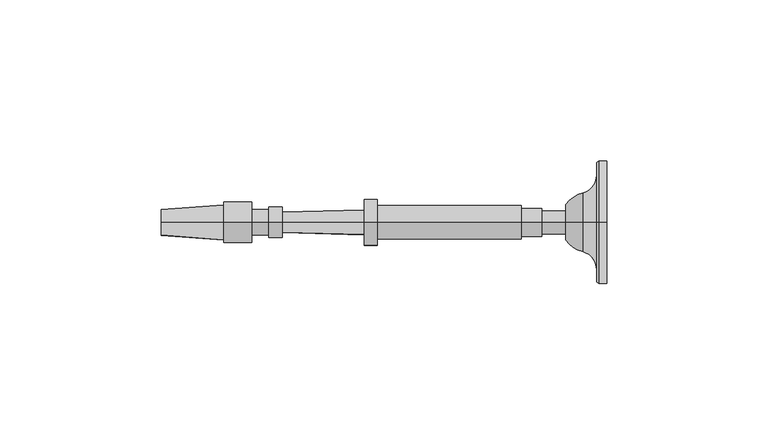
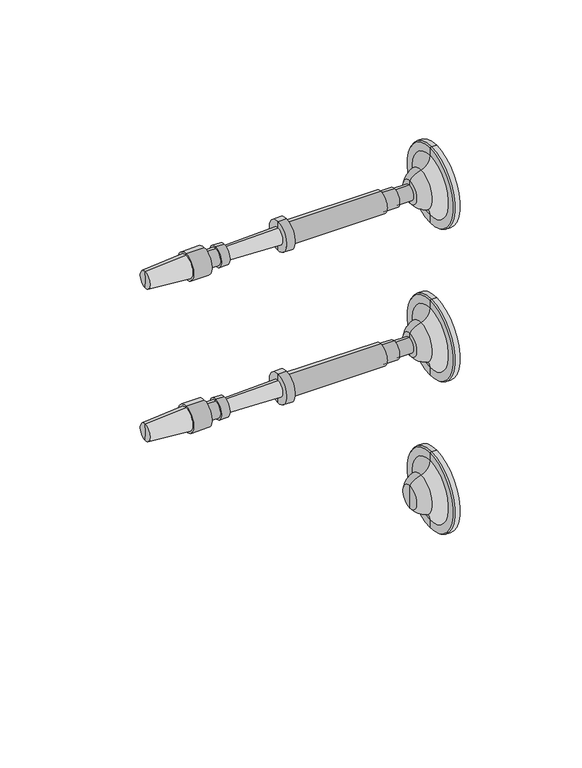
"""IFC4 building model written with IfcOpenShell, lengths in millimetres: railing geometry."""

from ifc_helpers import new_model, si_unit, point, frame, origin, place, context, project, spatial, polyline, circle_curve, ellipse_curve, trimmed, source, transform, mapped, element, save
from ifc_brep_helpers import plane_surface, cylinder_surface, revolved_surface, advanced_brep


def railing_382be00a(model_context):
    return source(origin(), model_context, "Body", "AdvancedBrep", [
        advanced_brep(
        [(4045.1015906, 16706.2866843, 32915.0001631), (4045.1015906, 16706.2866843, 32934.0501631), (4045.1015906, 16706.2866843, 32895.9501631), (4032.408954, 16706.2866843, 32909.4769785), (4032.408954, 16706.2866843, 32920.5233478), (4032.408954, 16706.2866843, 32915.0001631), (4037.6850504, 16706.2866843, 32905.8720381), (4037.6850504, 16706.2866843, 32924.1282881), (4042.0506754, 16706.2866843, 32900.2458254), (4042.0506754, 16706.2866843, 32929.7545009), (4042.0506754, 16706.2866843, 32896.3762941), (4042.0506754, 16706.2866843, 32933.6240321), (4042.7203406, 16706.2866843, 32895.9501631), (4042.7203406, 16706.2866843, 32934.0501631)],
        [
            (0, 1),
            (1, 2, circle_curve(frame((4045.1015906, 16706.2866843, 32915.0001631), z_axis=(1.0, 0.0, 0.0), x_axis=(0.0, 0.0, 1.0)), 19.05)),
            (2, 0),
            (2, 1, circle_curve(frame((4045.1015906, 16706.2866843, 32915.0001631), z_axis=(1.0, 0.0, 0.0), x_axis=(0.0, 0.0, 1.0)), 19.05)),
            (3, 4, circle_curve(frame((4032.408954, 16706.2866843, 32915.0001631), z_axis=(-1.0, 0.0, 0.0), x_axis=(0.0, 0.0, 1.0)), 5.5231846)),
            (4, 5),
            (5, 3),
            (4, 3, circle_curve(frame((4032.408954, 16706.2866843, 32915.0001631), z_axis=(-1.0, 0.0, 0.0), x_axis=(0.0, 0.0, 1.0)), 5.5231846)),
            (6, 7, circle_curve(frame((4037.6850504, 16706.2866843, 32915.0001631), z_axis=(-1.0, 0.0, 0.0), x_axis=(0.0, 0.0, 1.0)), 9.128125)),
            (7, 4, circle_curve(frame((4040.0094591, 16706.2866843, 32915.0628958), z_axis=(0.0, -1.0, 0.0), x_axis=(-1.0, 0.0, 0.0)), 9.3586438)),
            (3, 6, circle_curve(frame((4040.0094591, 16706.2866843, 32914.9374304), z_axis=(0.0, -1.0, 0.0), x_axis=(-1.0, 0.0, 0.0)), 9.3586438)),
            (7, 6, circle_curve(frame((4037.6850504, 16706.2866843, 32915.0001631), z_axis=(-1.0, 0.0, 0.0), x_axis=(0.0, 0.0, 1.0)), 9.128125)),
            (8, 9, circle_curve(frame((4042.0506754, 16706.2866843, 32915.0001631), z_axis=(-1.0, 0.0, 0.0), x_axis=(0.0, 0.0, 1.0)), 14.7543378)),
            (9, 7, circle_curve(frame((4036.2424634, 16706.2866843, 32929.7545009), z_axis=(0.0, 1.0, 0.0), x_axis=(-1.0, 0.0, 0.0)), 5.8082121)),
            (6, 8, circle_curve(frame((4036.2424634, 16706.2866843, 32900.2458254), z_axis=(0.0, 1.0, 0.0), x_axis=(-1.0, 0.0, 0.0)), 5.8082121)),
            (9, 8, circle_curve(frame((4042.0506754, 16706.2866843, 32915.0001631), z_axis=(-1.0, 0.0, 0.0), x_axis=(0.0, 0.0, 1.0)), 14.7543378)),
            (10, 11, circle_curve(frame((4042.0506754, 16706.2866843, 32915.0001631), z_axis=(-1.0, 0.0, 0.0), x_axis=(0.0, 0.0, 1.0)), 18.623869)),
            (11, 9),
            (8, 10),
            (11, 10, circle_curve(frame((4042.0506754, 16706.2866843, 32915.0001631), z_axis=(-1.0, 0.0, 0.0), x_axis=(0.0, 0.0, 1.0)), 18.623869)),
            (12, 13, circle_curve(frame((4042.7203406, 16706.2866843, 32915.0001631), z_axis=(-1.0, 0.0, 0.0), x_axis=(0.0, 0.0, 1.0)), 19.05)),
            (13, 11),
            (10, 12),
            (13, 12, circle_curve(frame((4042.7203406, 16706.2866843, 32915.0001631), z_axis=(-1.0, 0.0, 0.0), x_axis=(0.0, 0.0, 1.0)), 19.05)),
            (1, 13),
            (12, 2),
        ],
        [
            plane_surface(frame((4045.1015906, 16706.2866843, 32915.0001631), z_axis=(1.0, 0.0, 0.0), x_axis=(0.0, 0.0, 1.0))),
            plane_surface(frame((4032.408954, 16706.2866843, 32915.0001631), z_axis=(-1.0, 0.0, 0.0), x_axis=(0.0, 0.0, 1.0))),
            revolved_surface(trimmed(ellipse_curve(frame((4040.0094591, 16706.2866843, 32915.0628958), z_axis=(0.0, 1.0, 0.0), x_axis=(-1.0, 0.0, 0.0)), 9.3586438, 9.3586438), [point((4032.408954, 16706.2866843, 32920.5233478))], [point((4037.6850504, 16706.2866843, 32924.1282881))], True, "CARTESIAN"), (4045.1015906, 16706.2866843, 32915.0001631), (1.0, 0.0, 0.0)),
            revolved_surface(trimmed(ellipse_curve(frame((4036.2424634, 16706.2866843, 32929.7545009), z_axis=(0.0, -1.0, 0.0), x_axis=(-1.0, 0.0, 0.0)), 5.8082121, 5.8082121), [point((4037.6850504, 16706.2866843, 32924.1282881))], [point((4042.0506754, 16706.2866843, 32929.7545009))], True, "CARTESIAN"), (4045.1015906, 16706.2866843, 32915.0001631), (1.0, 0.0, 0.0)),
            plane_surface(frame((4042.0506754, 16706.2866843, 32915.0001631), z_axis=(-1.0, 0.0, 0.0), x_axis=(0.0, 0.0, 1.0))),
            revolved_surface(polyline([(4042.0506754, 16706.2866843, 32933.6240321), (4042.7203406, 16706.2866843, 32934.0501631)]), (4045.1015906, 16706.2866843, 32915.0001631), (1.0, 0.0, 0.0)),
            cylinder_surface(frame((4045.1015906, 16706.2866843, 32915.0001631), z_axis=(1.0, 0.0, 0.0), x_axis=(0.0, 0.0, 1.0)), 19.05),
        ],
        [
            (0, [[1, 2, 3]]),
            (0, [[-3, 4, -1]]),
            (1, [[5, 6, 7]]),
            (1, [[8, -7, -6]]),
            (2, [[9, 10, -5, 11]]),
            (2, [[12, -11, -8, -10]]),
            (3, [[13, 14, -9, 15]]),
            (3, [[16, -15, -12, -14]]),
            (4, [[17, 18, -13, 19]]),
            (4, [[20, -19, -16, -18]]),
            (5, [[21, 22, -17, 23]]),
            (5, [[24, -23, -20, -22]]),
            (6, [[-2, 25, -21, 26]]),
            (6, [[-4, -26, -24, -25]]),
        ],
    ),
        advanced_brep(
        [(4032.408954, 16706.2866843, 32911.4282881), (4032.408954, 16706.2866843, 32915.0001631), (4032.408954, 16706.2866843, 32918.5720381), (3907.4650648, 16706.2866843, 32915.0001631), (3907.1694004, 16706.2866843, 32910.9757028), (3907.1694004, 16706.2866843, 32919.0246235), (3926.5127644, 16706.2866843, 32909.5546072), (3926.5127644, 16706.2866843, 32920.445719), (3926.5127644, 16706.2866843, 32908.6616385), (3926.5127644, 16706.2866843, 32921.3386877), (3935.1447956, 16706.2866843, 32908.6616385), (3935.1447956, 16706.2866843, 32921.3386877), (3935.1447956, 16706.2866843, 32911.0428885), (3935.1447956, 16706.2866843, 32918.9574377), (3940.5026081, 16706.2866843, 32911.0428885), (3940.5026081, 16706.2866843, 32918.9574377), (3940.5026081, 16706.2866843, 32910.2491385), (3940.5026081, 16706.2866843, 32919.7511877), (3944.5705769, 16706.2866843, 32910.2491385), (3944.5705769, 16706.2866843, 32919.7511877), (3944.614664, 16706.2866843, 32911.8360262), (3944.614664, 16706.2866843, 32918.1643), (3970.0048672, 16706.2866843, 32911.1306319), (3970.0048672, 16706.2866843, 32918.8696944), (3970.0048672, 16706.2866843, 32907.8564131), (3970.0048672, 16706.2866843, 32922.1439131), (3973.9736172, 16706.2866843, 32907.8564131), (3973.9736172, 16706.2866843, 32922.1439131), (3973.9736172, 16706.2866843, 32909.8407881), (3973.9736172, 16706.2866843, 32920.1595381), (4018.7212735, 16706.2866843, 32909.8407881), (4018.7212735, 16706.2866843, 32920.1595381), (4018.7212735, 16706.2866843, 32910.6345381), (4018.7212735, 16706.2866843, 32919.3657881), (4025.0712735, 16706.2866843, 32910.6345381), (4025.0712735, 16706.2866843, 32919.3657881), (4025.0712735, 16706.2866843, 32911.4282881), (4025.0712735, 16706.2866843, 32918.5720381)],
        [
            (0, 1),
            (1, 2),
            (2, 0, circle_curve(frame((4032.408954, 16706.2866843, 32915.0001631), z_axis=(1.0, 0.0, 0.0), x_axis=(0.0, 0.0, 1.0000000000000002)), 3.571875)),
            (0, 2, circle_curve(frame((4032.408954, 16706.2866843, 32915.0001631), z_axis=(1.0, 0.0, 0.0), x_axis=(0.0, 0.0, 1.0000000000000002)), 3.571875)),
            (3, 4),
            (4, 5, circle_curve(frame((3907.1694004, 16706.2866843, 32915.0001631), z_axis=(-1.0, 0.0, 0.0), x_axis=(0.0, 0.0, 1.0000000000000002)), 4.0244604)),
            (5, 3),
            (5, 4, circle_curve(frame((3907.1694004, 16706.2866843, 32915.0001631), z_axis=(-1.0, 0.0, 0.0), x_axis=(0.0, 0.0, 1.0000000000000002)), 4.0244604)),
            (4, 6),
            (6, 7, circle_curve(frame((3926.5127644, 16706.2866843, 32915.0001631), z_axis=(-1.0, 0.0, 0.0), x_axis=(0.0, 0.0, 1.0000000000000002)), 5.4455559)),
            (7, 5),
            (7, 6, circle_curve(frame((3926.5127644, 16706.2866843, 32915.0001631), z_axis=(-1.0, 0.0, 0.0), x_axis=(0.0, 0.0, 1.0000000000000002)), 5.4455559)),
            (6, 8),
            (8, 9, circle_curve(frame((3926.5127644, 16706.2866843, 32915.0001631), z_axis=(-1.0, 0.0, 0.0), x_axis=(0.0, 0.0, 1.0000000000000002)), 6.3385246)),
            (9, 7),
            (9, 8, circle_curve(frame((3926.5127644, 16706.2866843, 32915.0001631), z_axis=(-1.0, 0.0, 0.0), x_axis=(0.0, 0.0, 1.0000000000000002)), 6.3385246)),
            (8, 10),
            (10, 11, circle_curve(frame((3935.1447956, 16706.2866843, 32915.0001631), z_axis=(-1.0, 0.0, 0.0), x_axis=(0.0, 0.0, 1.0000000000000002)), 6.3385246)),
            (11, 9),
            (11, 10, circle_curve(frame((3935.1447956, 16706.2866843, 32915.0001631), z_axis=(-1.0, 0.0, 0.0), x_axis=(0.0, 0.0, 1.0000000000000002)), 6.3385246)),
            (10, 12),
            (12, 13, circle_curve(frame((3935.1447956, 16706.2866843, 32915.0001631), z_axis=(-1.0, 0.0, 0.0), x_axis=(0.0, 0.0, 1.0000000000000002)), 3.9572746)),
            (13, 11),
            (13, 12, circle_curve(frame((3935.1447956, 16706.2866843, 32915.0001631), z_axis=(-1.0, 0.0, 0.0), x_axis=(0.0, 0.0, 1.0000000000000002)), 3.9572746)),
            (12, 14),
            (14, 15, circle_curve(frame((3940.5026081, 16706.2866843, 32915.0001631), z_axis=(-1.0, 0.0, 0.0), x_axis=(0.0, 0.0, 1.0000000000000002)), 3.9572746)),
            (15, 13),
            (15, 14, circle_curve(frame((3940.5026081, 16706.2866843, 32915.0001631), z_axis=(-1.0, 0.0, 0.0), x_axis=(0.0, 0.0, 1.0000000000000002)), 3.9572746)),
            (14, 16),
            (16, 17, circle_curve(frame((3940.5026081, 16706.2866843, 32915.0001631), z_axis=(-1.0, 0.0, 0.0), x_axis=(0.0, 0.0, 1.0000000000000002)), 4.7510246)),
            (17, 15),
            (17, 16, circle_curve(frame((3940.5026081, 16706.2866843, 32915.0001631), z_axis=(-1.0, 0.0, 0.0), x_axis=(0.0, 0.0, 1.0000000000000002)), 4.7510246)),
            (16, 18),
            (18, 19, circle_curve(frame((3944.5705769, 16706.2866843, 32915.0001631), z_axis=(-1.0, 0.0, 0.0), x_axis=(0.0, 0.0, 1.0000000000000002)), 4.7510246)),
            (19, 17),
            (19, 18, circle_curve(frame((3944.5705769, 16706.2866843, 32915.0001631), z_axis=(-1.0, 0.0, 0.0), x_axis=(0.0, 0.0, 1.0000000000000002)), 4.7510246)),
            (18, 20),
            (20, 21, circle_curve(frame((3944.614664, 16706.2866843, 32915.0001631), z_axis=(-1.0, 0.0, 0.0), x_axis=(0.0, 0.0, 1.0000000000000002)), 3.1641369)),
            (21, 19),
            (21, 20, circle_curve(frame((3944.614664, 16706.2866843, 32915.0001631), z_axis=(-1.0, 0.0, 0.0), x_axis=(0.0, 0.0, 1.0000000000000002)), 3.1641369)),
            (20, 22),
            (22, 23, circle_curve(frame((3970.0048672, 16706.2866843, 32915.0001631), z_axis=(-1.0, 0.0, 0.0), x_axis=(0.0, 0.0, 1.0000000000000002)), 3.8695313)),
            (23, 21),
            (23, 22, circle_curve(frame((3970.0048672, 16706.2866843, 32915.0001631), z_axis=(-1.0, 0.0, 0.0), x_axis=(0.0, 0.0, 1.0000000000000002)), 3.8695313)),
            (22, 24),
            (24, 25, circle_curve(frame((3970.0048672, 16706.2866843, 32915.0001631), z_axis=(-1.0, 0.0, 0.0), x_axis=(0.0, 0.0, 1.0000000000000002)), 7.14375)),
            (25, 23),
            (25, 24, circle_curve(frame((3970.0048672, 16706.2866843, 32915.0001631), z_axis=(-1.0, 0.0, 0.0), x_axis=(0.0, 0.0, 1.0000000000000002)), 7.14375)),
            (24, 26),
            (26, 27, circle_curve(frame((3973.9736172, 16706.2866843, 32915.0001631), z_axis=(-1.0, 0.0, 0.0), x_axis=(0.0, 0.0, 1.0000000000000002)), 7.14375)),
            (27, 25),
            (27, 26, circle_curve(frame((3973.9736172, 16706.2866843, 32915.0001631), z_axis=(-1.0, 0.0, 0.0), x_axis=(0.0, 0.0, 1.0000000000000002)), 7.14375)),
            (26, 28),
            (28, 29, circle_curve(frame((3973.9736172, 16706.2866843, 32915.0001631), z_axis=(-1.0, 0.0, 0.0), x_axis=(0.0, 0.0, 1.0000000000000002)), 5.159375)),
            (29, 27),
            (29, 28, circle_curve(frame((3973.9736172, 16706.2866843, 32915.0001631), z_axis=(-1.0, 0.0, 0.0), x_axis=(0.0, 0.0, 1.0000000000000002)), 5.159375)),
            (28, 30),
            (30, 31, circle_curve(frame((4018.7212735, 16706.2866843, 32915.0001631), z_axis=(-1.0, 0.0, 0.0), x_axis=(0.0, 0.0, 1.0000000000000002)), 5.159375)),
            (31, 29),
            (31, 30, circle_curve(frame((4018.7212735, 16706.2866843, 32915.0001631), z_axis=(-1.0, 0.0, 0.0), x_axis=(0.0, 0.0, 1.0000000000000002)), 5.159375)),
            (30, 32),
            (32, 33, circle_curve(frame((4018.7212735, 16706.2866843, 32915.0001631), z_axis=(-1.0, 0.0, 0.0), x_axis=(0.0, 0.0, 1.0000000000000002)), 4.365625)),
            (33, 31),
            (33, 32, circle_curve(frame((4018.7212735, 16706.2866843, 32915.0001631), z_axis=(-1.0, 0.0, 0.0), x_axis=(0.0, 0.0, 1.0000000000000002)), 4.365625)),
            (32, 34),
            (34, 35, circle_curve(frame((4025.0712735, 16706.2866843, 32915.0001631), z_axis=(-1.0, 0.0, 0.0), x_axis=(0.0, 0.0, 1.0000000000000002)), 4.365625)),
            (35, 33),
            (35, 34, circle_curve(frame((4025.0712735, 16706.2866843, 32915.0001631), z_axis=(-1.0, 0.0, 0.0), x_axis=(0.0, 0.0, 1.0000000000000002)), 4.365625)),
            (34, 36),
            (36, 37, circle_curve(frame((4025.0712735, 16706.2866843, 32915.0001631), z_axis=(-1.0, 0.0, 0.0), x_axis=(0.0, 0.0, 1.0000000000000002)), 3.571875)),
            (37, 35),
            (37, 36, circle_curve(frame((4025.0712735, 16706.2866843, 32915.0001631), z_axis=(-1.0, 0.0, 0.0), x_axis=(0.0, 0.0, 1.0000000000000002)), 3.571875)),
            (36, 0),
            (2, 37),
        ],
        [
            plane_surface(frame((4032.408954, 16706.2866843, 32915.0001631), z_axis=(1.0, 0.0, 0.0), x_axis=(0.0, 0.0, 1.0))),
            revolved_surface(polyline([(3907.1694004, 16706.2866843, 32919.0246235), (3907.4650648, 16706.2866843, 32915.0001631)]), (3907.4650648, 16706.2866843, 32915.0001631), (-1.0, 0.0, 0.0)),
            revolved_surface(polyline([(3926.5127644, 16706.2866843, 32920.445719), (3907.1694004, 16706.2866843, 32919.0246235)]), (3907.4650648, 16706.2866843, 32915.0001631), (-1.0, 0.0, 0.0)),
            plane_surface(frame((3926.5127644, 16706.2866843, 32915.0001631), z_axis=(-1.0, 0.0, 0.0), x_axis=(0.0, 0.0, 1.0))),
            cylinder_surface(frame((3907.4650648, 16706.2866843, 32915.0001631), z_axis=(-1.0, 0.0, 0.0), x_axis=(0.0, 0.0, 1.0000000000000002)), 6.3385246),
            plane_surface(frame((3935.1447956, 16706.2866843, 32915.0001631), z_axis=(1.0, 0.0, 0.0), x_axis=(0.0, 0.0, 1.0))),
            cylinder_surface(frame((3907.4650648, 16706.2866843, 32915.0001631), z_axis=(-1.0, 0.0, 0.0), x_axis=(0.0, 0.0, 1.0000000000000002)), 3.9572746),
            plane_surface(frame((3940.5026081, 16706.2866843, 32915.0001631), z_axis=(-1.0, 0.0, 0.0), x_axis=(0.0, 0.0, 1.0))),
            cylinder_surface(frame((3907.4650648, 16706.2866843, 32915.0001631), z_axis=(-1.0, 0.0, 0.0), x_axis=(0.0, 0.0, 1.0000000000000002)), 4.7510246),
            plane_surface(frame((3944.614664, 16706.2866843, 32915.0001631), z_axis=(1.0, 0.0, 0.0), x_axis=(0.0, 0.0, 1.0))),
            revolved_surface(polyline([(3970.0048672, 16706.2866843, 32918.8696944), (3944.614664, 16706.2866843, 32918.1643)]), (3907.4650648, 16706.2866843, 32915.0001631), (-1.0, 0.0, 0.0)),
            plane_surface(frame((3970.0048672, 16706.2866843, 32915.0001631), z_axis=(-1.0, 0.0, 0.0), x_axis=(0.0, 0.0, 1.0))),
            cylinder_surface(frame((3907.4650648, 16706.2866843, 32915.0001631), z_axis=(-1.0, 0.0, 0.0), x_axis=(0.0, 0.0, 1.0000000000000002)), 7.14375),
            plane_surface(frame((3973.9736172, 16706.2866843, 32915.0001631), z_axis=(1.0, 0.0, 0.0), x_axis=(0.0, 0.0, 1.0))),
            cylinder_surface(frame((3907.4650648, 16706.2866843, 32915.0001631), z_axis=(-1.0, 0.0, 0.0), x_axis=(0.0, 0.0, 1.0000000000000002)), 5.159375),
            plane_surface(frame((4018.7212735, 16706.2866843, 32915.0001631), z_axis=(1.0, 0.0, 0.0), x_axis=(0.0, 0.0, 1.0))),
            cylinder_surface(frame((3907.4650648, 16706.2866843, 32915.0001631), z_axis=(-1.0, 0.0, 0.0), x_axis=(0.0, 0.0, 1.0000000000000002)), 4.365625),
            plane_surface(frame((4025.0712735, 16706.2866843, 32915.0001631), z_axis=(1.0, 0.0, 0.0), x_axis=(0.0, 0.0, 1.0))),
            cylinder_surface(frame((3907.4650648, 16706.2866843, 32915.0001631), z_axis=(-1.0, 0.0, 0.0), x_axis=(0.0, 0.0, 1.0000000000000002)), 3.571875),
        ],
        [
            (0, [[1, 2, 3]]),
            (0, [[-2, -1, 4]]),
            (1, [[5, 6, 7]]),
            (1, [[-7, 8, -5]]),
            (2, [[9, 10, 11, -6]]),
            (2, [[-11, 12, -9, -8]]),
            (3, [[13, 14, 15, -10]]),
            (3, [[-15, 16, -13, -12]]),
            (4, [[17, 18, 19, -14]]),
            (4, [[-19, 20, -17, -16]]),
            (5, [[21, 22, 23, -18]]),
            (5, [[-23, 24, -21, -20]]),
            (6, [[25, 26, 27, -22]]),
            (6, [[-27, 28, -25, -24]]),
            (7, [[29, 30, 31, -26]]),
            (7, [[-31, 32, -29, -28]]),
            (8, [[33, 34, 35, -30]]),
            (8, [[-35, 36, -33, -32]]),
            (9, [[37, 38, 39, -34]]),
            (9, [[-39, 40, -37, -36]]),
            (10, [[41, 42, 43, -38]]),
            (10, [[-43, 44, -41, -40]]),
            (11, [[45, 46, 47, -42]]),
            (11, [[-47, 48, -45, -44]]),
            (12, [[49, 50, 51, -46]]),
            (12, [[-51, 52, -49, -48]]),
            (13, [[53, 54, 55, -50]]),
            (13, [[-55, 56, -53, -52]]),
            (14, [[57, 58, 59, -54]]),
            (14, [[-59, 60, -57, -56]]),
            (15, [[61, 62, 63, -58]]),
            (15, [[-63, 64, -61, -60]]),
            (16, [[65, 66, 67, -62]]),
            (16, [[-67, 68, -65, -64]]),
            (17, [[69, 70, 71, -66]]),
            (17, [[-71, 72, -69, -68]]),
            (18, [[73, -3, 74, -70]]),
            (18, [[-74, -4, -73, -72]]),
        ],
    ),
        advanced_brep(
        [(4045.1015906, 16706.2866843, 32838.8001631), (4045.1015906, 16706.2866843, 32857.8501631), (4045.1015906, 16706.2866843, 32819.7501631), (4032.408954, 16706.2866843, 32833.2769785), (4032.408954, 16706.2866843, 32844.3233478), (4032.408954, 16706.2866843, 32838.8001631), (4037.6850504, 16706.2866843, 32829.6720381), (4037.6850504, 16706.2866843, 32847.9282881), (4042.0506754, 16706.2866843, 32824.0458254), (4042.0506754, 16706.2866843, 32853.5545009), (4042.0506754, 16706.2866843, 32820.1762941), (4042.0506754, 16706.2866843, 32857.4240321), (4042.7203406, 16706.2866843, 32819.7501631), (4042.7203406, 16706.2866843, 32857.8501631)],
        [
            (0, 1),
            (1, 2, circle_curve(frame((4045.1015906, 16706.2866843, 32838.8001631), z_axis=(1.0, 0.0, 0.0), x_axis=(0.0, 0.0, 1.0)), 19.05)),
            (2, 0),
            (2, 1, circle_curve(frame((4045.1015906, 16706.2866843, 32838.8001631), z_axis=(1.0, 0.0, 0.0), x_axis=(0.0, 0.0, 1.0)), 19.05)),
            (3, 4, circle_curve(frame((4032.408954, 16706.2866843, 32838.8001631), z_axis=(-1.0, 0.0, 0.0), x_axis=(0.0, 0.0, 1.0)), 5.5231846)),
            (4, 5),
            (5, 3),
            (4, 3, circle_curve(frame((4032.408954, 16706.2866843, 32838.8001631), z_axis=(-1.0, 0.0, 0.0), x_axis=(0.0, 0.0, 1.0)), 5.5231846)),
            (6, 7, circle_curve(frame((4037.6850504, 16706.2866843, 32838.8001631), z_axis=(-1.0, 0.0, 0.0), x_axis=(0.0, 0.0, 1.0)), 9.128125)),
            (7, 4, circle_curve(frame((4040.0094591, 16706.2866843, 32838.8628958), z_axis=(0.0, -1.0, 0.0), x_axis=(-1.0, 0.0, 0.0)), 9.3586438)),
            (3, 6, circle_curve(frame((4040.0094591, 16706.2866843, 32838.7374304), z_axis=(0.0, -1.0, 0.0), x_axis=(-1.0, 0.0, 0.0)), 9.3586438)),
            (7, 6, circle_curve(frame((4037.6850504, 16706.2866843, 32838.8001631), z_axis=(-1.0, 0.0, 0.0), x_axis=(0.0, 0.0, 1.0)), 9.128125)),
            (8, 9, circle_curve(frame((4042.0506754, 16706.2866843, 32838.8001631), z_axis=(-1.0, 0.0, 0.0), x_axis=(0.0, 0.0, 1.0)), 14.7543378)),
            (9, 7, circle_curve(frame((4036.2424634, 16706.2866843, 32853.5545009), z_axis=(0.0, 1.0, 0.0), x_axis=(-1.0, 0.0, 0.0)), 5.8082121)),
            (6, 8, circle_curve(frame((4036.2424634, 16706.2866843, 32824.0458254), z_axis=(0.0, 1.0, 0.0), x_axis=(-1.0, 0.0, 0.0)), 5.8082121)),
            (9, 8, circle_curve(frame((4042.0506754, 16706.2866843, 32838.8001631), z_axis=(-1.0, 0.0, 0.0), x_axis=(0.0, 0.0, 1.0)), 14.7543378)),
            (10, 11, circle_curve(frame((4042.0506754, 16706.2866843, 32838.8001631), z_axis=(-1.0, 0.0, 0.0), x_axis=(0.0, 0.0, 1.0)), 18.623869)),
            (11, 9),
            (8, 10),
            (11, 10, circle_curve(frame((4042.0506754, 16706.2866843, 32838.8001631), z_axis=(-1.0, 0.0, 0.0), x_axis=(0.0, 0.0, 1.0)), 18.623869)),
            (12, 13, circle_curve(frame((4042.7203406, 16706.2866843, 32838.8001631), z_axis=(-1.0, 0.0, 0.0), x_axis=(0.0, 0.0, 1.0)), 19.05)),
            (13, 11),
            (10, 12),
            (13, 12, circle_curve(frame((4042.7203406, 16706.2866843, 32838.8001631), z_axis=(-1.0, 0.0, 0.0), x_axis=(0.0, 0.0, 1.0)), 19.05)),
            (1, 13),
            (12, 2),
        ],
        [
            plane_surface(frame((4045.1015906, 16706.2866843, 32838.8001631), z_axis=(1.0, 0.0, 0.0), x_axis=(0.0, 0.0, 1.0))),
            plane_surface(frame((4032.408954, 16706.2866843, 32838.8001631), z_axis=(-1.0, 0.0, 0.0), x_axis=(0.0, 0.0, 1.0))),
            revolved_surface(trimmed(ellipse_curve(frame((4040.0094591, 16706.2866843, 32838.8628958), z_axis=(0.0, 1.0, 0.0), x_axis=(-1.0, 0.0, 0.0)), 9.3586438, 9.3586438), [point((4032.408954, 16706.2866843, 32844.3233478))], [point((4037.6850504, 16706.2866843, 32847.9282881))], True, "CARTESIAN"), (4045.1015906, 16706.2866843, 32838.8001631), (1.0, 0.0, 0.0)),
            revolved_surface(trimmed(ellipse_curve(frame((4036.2424634, 16706.2866843, 32853.5545009), z_axis=(0.0, -1.0, 0.0), x_axis=(-1.0, 0.0, 0.0)), 5.8082121, 5.8082121), [point((4037.6850504, 16706.2866843, 32847.9282881))], [point((4042.0506754, 16706.2866843, 32853.5545009))], True, "CARTESIAN"), (4045.1015906, 16706.2866843, 32838.8001631), (1.0, 0.0, 0.0)),
            plane_surface(frame((4042.0506754, 16706.2866843, 32838.8001631), z_axis=(-1.0, 0.0, 0.0), x_axis=(0.0, 0.0, 1.0))),
            revolved_surface(polyline([(4042.0506754, 16706.2866843, 32857.4240321), (4042.7203406, 16706.2866843, 32857.8501631)]), (4045.1015906, 16706.2866843, 32838.8001631), (1.0, 0.0, 0.0)),
            cylinder_surface(frame((4045.1015906, 16706.2866843, 32838.8001631), z_axis=(1.0, 0.0, 0.0), x_axis=(0.0, 0.0, 1.0)), 19.05),
        ],
        [
            (0, [[1, 2, 3]]),
            (0, [[-3, 4, -1]]),
            (1, [[5, 6, 7]]),
            (1, [[8, -7, -6]]),
            (2, [[9, 10, -5, 11]]),
            (2, [[12, -11, -8, -10]]),
            (3, [[13, 14, -9, 15]]),
            (3, [[16, -15, -12, -14]]),
            (4, [[17, 18, -13, 19]]),
            (4, [[20, -19, -16, -18]]),
            (5, [[21, 22, -17, 23]]),
            (5, [[24, -23, -20, -22]]),
            (6, [[-2, 25, -21, 26]]),
            (6, [[-4, -26, -24, -25]]),
        ],
    ),
        advanced_brep(
        [(4032.408954, 16706.2866843, 32835.2282881), (4032.408954, 16706.2866843, 32838.8001631), (4032.408954, 16706.2866843, 32842.3720381), (3907.4650648, 16706.2866843, 32838.8001631), (3907.1694004, 16706.2866843, 32834.7757028), (3907.1694004, 16706.2866843, 32842.8246235), (3926.5127644, 16706.2866843, 32833.3546072), (3926.5127644, 16706.2866843, 32844.245719), (3926.5127644, 16706.2866843, 32832.4616385), (3926.5127644, 16706.2866843, 32845.1386877), (3935.1447956, 16706.2866843, 32832.4616385), (3935.1447956, 16706.2866843, 32845.1386877), (3935.1447956, 16706.2866843, 32834.8428885), (3935.1447956, 16706.2866843, 32842.7574377), (3940.5026081, 16706.2866843, 32834.8428885), (3940.5026081, 16706.2866843, 32842.7574377), (3940.5026081, 16706.2866843, 32834.0491385), (3940.5026081, 16706.2866843, 32843.5511877), (3944.5705769, 16706.2866843, 32834.0491385), (3944.5705769, 16706.2866843, 32843.5511877), (3944.614664, 16706.2866843, 32835.6360262), (3944.614664, 16706.2866843, 32841.9643), (3970.0048672, 16706.2866843, 32834.9306319), (3970.0048672, 16706.2866843, 32842.6696944), (3970.0048672, 16706.2866843, 32831.6564131), (3970.0048672, 16706.2866843, 32845.9439131), (3973.9736172, 16706.2866843, 32831.6564131), (3973.9736172, 16706.2866843, 32845.9439131), (3973.9736172, 16706.2866843, 32833.6407881), (3973.9736172, 16706.2866843, 32843.9595381), (4018.7212735, 16706.2866843, 32833.6407881), (4018.7212735, 16706.2866843, 32843.9595381), (4018.7212735, 16706.2866843, 32834.4345381), (4018.7212735, 16706.2866843, 32843.1657881), (4025.0712735, 16706.2866843, 32834.4345381), (4025.0712735, 16706.2866843, 32843.1657881), (4025.0712735, 16706.2866843, 32835.2282881), (4025.0712735, 16706.2866843, 32842.3720381)],
        [
            (0, 1),
            (1, 2),
            (2, 0, circle_curve(frame((4032.408954, 16706.2866843, 32838.8001631), z_axis=(1.0, 0.0, 0.0), x_axis=(0.0, 0.0, 1.0000000000000002)), 3.571875)),
            (0, 2, circle_curve(frame((4032.408954, 16706.2866843, 32838.8001631), z_axis=(1.0, 0.0, 0.0), x_axis=(0.0, 0.0, 1.0000000000000002)), 3.571875)),
            (3, 4),
            (4, 5, circle_curve(frame((3907.1694004, 16706.2866843, 32838.8001631), z_axis=(-1.0, 0.0, 0.0), x_axis=(0.0, 0.0, 1.0000000000000002)), 4.0244604)),
            (5, 3),
            (5, 4, circle_curve(frame((3907.1694004, 16706.2866843, 32838.8001631), z_axis=(-1.0, 0.0, 0.0), x_axis=(0.0, 0.0, 1.0000000000000002)), 4.0244604)),
            (4, 6),
            (6, 7, circle_curve(frame((3926.5127644, 16706.2866843, 32838.8001631), z_axis=(-1.0, 0.0, 0.0), x_axis=(0.0, 0.0, 1.0000000000000002)), 5.4455559)),
            (7, 5),
            (7, 6, circle_curve(frame((3926.5127644, 16706.2866843, 32838.8001631), z_axis=(-1.0, 0.0, 0.0), x_axis=(0.0, 0.0, 1.0000000000000002)), 5.4455559)),
            (6, 8),
            (8, 9, circle_curve(frame((3926.5127644, 16706.2866843, 32838.8001631), z_axis=(-1.0, 0.0, 0.0), x_axis=(0.0, 0.0, 1.0000000000000002)), 6.3385246)),
            (9, 7),
            (9, 8, circle_curve(frame((3926.5127644, 16706.2866843, 32838.8001631), z_axis=(-1.0, 0.0, 0.0), x_axis=(0.0, 0.0, 1.0000000000000002)), 6.3385246)),
            (8, 10),
            (10, 11, circle_curve(frame((3935.1447956, 16706.2866843, 32838.8001631), z_axis=(-1.0, 0.0, 0.0), x_axis=(0.0, 0.0, 1.0000000000000002)), 6.3385246)),
            (11, 9),
            (11, 10, circle_curve(frame((3935.1447956, 16706.2866843, 32838.8001631), z_axis=(-1.0, 0.0, 0.0), x_axis=(0.0, 0.0, 1.0000000000000002)), 6.3385246)),
            (10, 12),
            (12, 13, circle_curve(frame((3935.1447956, 16706.2866843, 32838.8001631), z_axis=(-1.0, 0.0, 0.0), x_axis=(0.0, 0.0, 1.0000000000000002)), 3.9572746)),
            (13, 11),
            (13, 12, circle_curve(frame((3935.1447956, 16706.2866843, 32838.8001631), z_axis=(-1.0, 0.0, 0.0), x_axis=(0.0, 0.0, 1.0000000000000002)), 3.9572746)),
            (12, 14),
            (14, 15, circle_curve(frame((3940.5026081, 16706.2866843, 32838.8001631), z_axis=(-1.0, 0.0, 0.0), x_axis=(0.0, 0.0, 1.0000000000000002)), 3.9572746)),
            (15, 13),
            (15, 14, circle_curve(frame((3940.5026081, 16706.2866843, 32838.8001631), z_axis=(-1.0, 0.0, 0.0), x_axis=(0.0, 0.0, 1.0000000000000002)), 3.9572746)),
            (14, 16),
            (16, 17, circle_curve(frame((3940.5026081, 16706.2866843, 32838.8001631), z_axis=(-1.0, 0.0, 0.0), x_axis=(0.0, 0.0, 1.0000000000000002)), 4.7510246)),
            (17, 15),
            (17, 16, circle_curve(frame((3940.5026081, 16706.2866843, 32838.8001631), z_axis=(-1.0, 0.0, 0.0), x_axis=(0.0, 0.0, 1.0000000000000002)), 4.7510246)),
            (16, 18),
            (18, 19, circle_curve(frame((3944.5705769, 16706.2866843, 32838.8001631), z_axis=(-1.0, 0.0, 0.0), x_axis=(0.0, 0.0, 1.0000000000000002)), 4.7510246)),
            (19, 17),
            (19, 18, circle_curve(frame((3944.5705769, 16706.2866843, 32838.8001631), z_axis=(-1.0, 0.0, 0.0), x_axis=(0.0, 0.0, 1.0000000000000002)), 4.7510246)),
            (18, 20),
            (20, 21, circle_curve(frame((3944.614664, 16706.2866843, 32838.8001631), z_axis=(-1.0, 0.0, 0.0), x_axis=(0.0, 0.0, 1.0000000000000002)), 3.1641369)),
            (21, 19),
            (21, 20, circle_curve(frame((3944.614664, 16706.2866843, 32838.8001631), z_axis=(-1.0, 0.0, 0.0), x_axis=(0.0, 0.0, 1.0000000000000002)), 3.1641369)),
            (20, 22),
            (22, 23, circle_curve(frame((3970.0048672, 16706.2866843, 32838.8001631), z_axis=(-1.0, 0.0, 0.0), x_axis=(0.0, 0.0, 1.0000000000000002)), 3.8695313)),
            (23, 21),
            (23, 22, circle_curve(frame((3970.0048672, 16706.2866843, 32838.8001631), z_axis=(-1.0, 0.0, 0.0), x_axis=(0.0, 0.0, 1.0000000000000002)), 3.8695313)),
            (22, 24),
            (24, 25, circle_curve(frame((3970.0048672, 16706.2866843, 32838.8001631), z_axis=(-1.0, 0.0, 0.0), x_axis=(0.0, 0.0, 1.0000000000000002)), 7.14375)),
            (25, 23),
            (25, 24, circle_curve(frame((3970.0048672, 16706.2866843, 32838.8001631), z_axis=(-1.0, 0.0, 0.0), x_axis=(0.0, 0.0, 1.0000000000000002)), 7.14375)),
            (24, 26),
            (26, 27, circle_curve(frame((3973.9736172, 16706.2866843, 32838.8001631), z_axis=(-1.0, 0.0, 0.0), x_axis=(0.0, 0.0, 1.0000000000000002)), 7.14375)),
            (27, 25),
            (27, 26, circle_curve(frame((3973.9736172, 16706.2866843, 32838.8001631), z_axis=(-1.0, 0.0, 0.0), x_axis=(0.0, 0.0, 1.0000000000000002)), 7.14375)),
            (26, 28),
            (28, 29, circle_curve(frame((3973.9736172, 16706.2866843, 32838.8001631), z_axis=(-1.0, 0.0, 0.0), x_axis=(0.0, 0.0, 1.0000000000000002)), 5.159375)),
            (29, 27),
            (29, 28, circle_curve(frame((3973.9736172, 16706.2866843, 32838.8001631), z_axis=(-1.0, 0.0, 0.0), x_axis=(0.0, 0.0, 1.0000000000000002)), 5.159375)),
            (28, 30),
            (30, 31, circle_curve(frame((4018.7212735, 16706.2866843, 32838.8001631), z_axis=(-1.0, 0.0, 0.0), x_axis=(0.0, 0.0, 1.0000000000000002)), 5.159375)),
            (31, 29),
            (31, 30, circle_curve(frame((4018.7212735, 16706.2866843, 32838.8001631), z_axis=(-1.0, 0.0, 0.0), x_axis=(0.0, 0.0, 1.0000000000000002)), 5.159375)),
            (30, 32),
            (32, 33, circle_curve(frame((4018.7212735, 16706.2866843, 32838.8001631), z_axis=(-1.0, 0.0, 0.0), x_axis=(0.0, 0.0, 1.0000000000000002)), 4.365625)),
            (33, 31),
            (33, 32, circle_curve(frame((4018.7212735, 16706.2866843, 32838.8001631), z_axis=(-1.0, 0.0, 0.0), x_axis=(0.0, 0.0, 1.0000000000000002)), 4.365625)),
            (32, 34),
            (34, 35, circle_curve(frame((4025.0712735, 16706.2866843, 32838.8001631), z_axis=(-1.0, 0.0, 0.0), x_axis=(0.0, 0.0, 1.0000000000000002)), 4.365625)),
            (35, 33),
            (35, 34, circle_curve(frame((4025.0712735, 16706.2866843, 32838.8001631), z_axis=(-1.0, 0.0, 0.0), x_axis=(0.0, 0.0, 1.0000000000000002)), 4.365625)),
            (34, 36),
            (36, 37, circle_curve(frame((4025.0712735, 16706.2866843, 32838.8001631), z_axis=(-1.0, 0.0, 0.0), x_axis=(0.0, 0.0, 1.0000000000000002)), 3.571875)),
            (37, 35),
            (37, 36, circle_curve(frame((4025.0712735, 16706.2866843, 32838.8001631), z_axis=(-1.0, 0.0, 0.0), x_axis=(0.0, 0.0, 1.0000000000000002)), 3.571875)),
            (36, 0),
            (2, 37),
        ],
        [
            plane_surface(frame((4032.408954, 16706.2866843, 32838.8001631), z_axis=(1.0, 0.0, 0.0), x_axis=(0.0, 0.0, 1.0))),
            revolved_surface(polyline([(3907.1694004, 16706.2866843, 32842.8246235), (3907.4650648, 16706.2866843, 32838.8001631)]), (3907.4650648, 16706.2866843, 32838.8001631), (-1.0, 0.0, 0.0)),
            revolved_surface(polyline([(3926.5127644, 16706.2866843, 32844.245719), (3907.1694004, 16706.2866843, 32842.8246235)]), (3907.4650648, 16706.2866843, 32838.8001631), (-1.0, 0.0, 0.0)),
            plane_surface(frame((3926.5127644, 16706.2866843, 32838.8001631), z_axis=(-1.0, 0.0, 0.0), x_axis=(0.0, 0.0, 1.0))),
            cylinder_surface(frame((3907.4650648, 16706.2866843, 32838.8001631), z_axis=(-1.0, 0.0, 0.0), x_axis=(0.0, 0.0, 1.0000000000000002)), 6.3385246),
            plane_surface(frame((3935.1447956, 16706.2866843, 32838.8001631), z_axis=(1.0, 0.0, 0.0), x_axis=(0.0, 0.0, 1.0))),
            cylinder_surface(frame((3907.4650648, 16706.2866843, 32838.8001631), z_axis=(-1.0, 0.0, 0.0), x_axis=(0.0, 0.0, 1.0000000000000002)), 3.9572746),
            plane_surface(frame((3940.5026081, 16706.2866843, 32838.8001631), z_axis=(-1.0, 0.0, 0.0), x_axis=(0.0, 0.0, 1.0))),
            cylinder_surface(frame((3907.4650648, 16706.2866843, 32838.8001631), z_axis=(-1.0, 0.0, 0.0), x_axis=(0.0, 0.0, 1.0000000000000002)), 4.7510246),
            plane_surface(frame((3944.614664, 16706.2866843, 32838.8001631), z_axis=(1.0, 0.0, 0.0), x_axis=(0.0, 0.0, 1.0))),
            revolved_surface(polyline([(3970.0048672, 16706.2866843, 32842.6696944), (3944.614664, 16706.2866843, 32841.9643)]), (3907.4650648, 16706.2866843, 32838.8001631), (-1.0, 0.0, 0.0)),
            plane_surface(frame((3970.0048672, 16706.2866843, 32838.8001631), z_axis=(-1.0, 0.0, 0.0), x_axis=(0.0, 0.0, 1.0))),
            cylinder_surface(frame((3907.4650648, 16706.2866843, 32838.8001631), z_axis=(-1.0, 0.0, 0.0), x_axis=(0.0, 0.0, 1.0000000000000002)), 7.14375),
            plane_surface(frame((3973.9736172, 16706.2866843, 32838.8001631), z_axis=(1.0, 0.0, 0.0), x_axis=(0.0, 0.0, 1.0))),
            cylinder_surface(frame((3907.4650648, 16706.2866843, 32838.8001631), z_axis=(-1.0, 0.0, 0.0), x_axis=(0.0, 0.0, 1.0000000000000002)), 5.159375),
            plane_surface(frame((4018.7212735, 16706.2866843, 32838.8001631), z_axis=(1.0, 0.0, 0.0), x_axis=(0.0, 0.0, 1.0))),
            cylinder_surface(frame((3907.4650648, 16706.2866843, 32838.8001631), z_axis=(-1.0, 0.0, 0.0), x_axis=(0.0, 0.0, 1.0000000000000002)), 4.365625),
            plane_surface(frame((4025.0712735, 16706.2866843, 32838.8001631), z_axis=(1.0, 0.0, 0.0), x_axis=(0.0, 0.0, 1.0))),
            cylinder_surface(frame((3907.4650648, 16706.2866843, 32838.8001631), z_axis=(-1.0, 0.0, 0.0), x_axis=(0.0, 0.0, 1.0000000000000002)), 3.571875),
        ],
        [
            (0, [[1, 2, 3]]),
            (0, [[-2, -1, 4]]),
            (1, [[5, 6, 7]]),
            (1, [[-7, 8, -5]]),
            (2, [[9, 10, 11, -6]]),
            (2, [[-11, 12, -9, -8]]),
            (3, [[13, 14, 15, -10]]),
            (3, [[-15, 16, -13, -12]]),
            (4, [[17, 18, 19, -14]]),
            (4, [[-19, 20, -17, -16]]),
            (5, [[21, 22, 23, -18]]),
            (5, [[-23, 24, -21, -20]]),
            (6, [[25, 26, 27, -22]]),
            (6, [[-27, 28, -25, -24]]),
            (7, [[29, 30, 31, -26]]),
            (7, [[-31, 32, -29, -28]]),
            (8, [[33, 34, 35, -30]]),
            (8, [[-35, 36, -33, -32]]),
            (9, [[37, 38, 39, -34]]),
            (9, [[-39, 40, -37, -36]]),
            (10, [[41, 42, 43, -38]]),
            (10, [[-43, 44, -41, -40]]),
            (11, [[45, 46, 47, -42]]),
            (11, [[-47, 48, -45, -44]]),
            (12, [[49, 50, 51, -46]]),
            (12, [[-51, 52, -49, -48]]),
            (13, [[53, 54, 55, -50]]),
            (13, [[-55, 56, -53, -52]]),
            (14, [[57, 58, 59, -54]]),
            (14, [[-59, 60, -57, -56]]),
            (15, [[61, 62, 63, -58]]),
            (15, [[-63, 64, -61, -60]]),
            (16, [[65, 66, 67, -62]]),
            (16, [[-67, 68, -65, -64]]),
            (17, [[69, 70, 71, -66]]),
            (17, [[-71, 72, -69, -68]]),
            (18, [[73, -3, 74, -70]]),
            (18, [[-74, -4, -73, -72]]),
        ],
    ),
        advanced_brep(
        [(4045.1015906, 16706.2866843, 32762.6001631), (4045.1015906, 16706.2866843, 32781.6501631), (4045.1015906, 16706.2866843, 32743.5501631), (4032.408954, 16706.2866843, 32757.0769785), (4032.408954, 16706.2866843, 32768.1233478), (4032.408954, 16706.2866843, 32762.6001631), (4037.6850504, 16706.2866843, 32753.4720381), (4037.6850504, 16706.2866843, 32771.7282881), (4042.0506754, 16706.2866843, 32747.8458254), (4042.0506754, 16706.2866843, 32777.3545009), (4042.0506754, 16706.2866843, 32743.9762941), (4042.0506754, 16706.2866843, 32781.2240321), (4042.7203406, 16706.2866843, 32743.5501631), (4042.7203406, 16706.2866843, 32781.6501631)],
        [
            (0, 1),
            (1, 2, circle_curve(frame((4045.1015906, 16706.2866843, 32762.6001631), z_axis=(1.0, 0.0, 0.0), x_axis=(0.0, 0.0, 1.0)), 19.05)),
            (2, 0),
            (2, 1, circle_curve(frame((4045.1015906, 16706.2866843, 32762.6001631), z_axis=(1.0, 0.0, 0.0), x_axis=(0.0, 0.0, 1.0)), 19.05)),
            (3, 4, circle_curve(frame((4032.408954, 16706.2866843, 32762.6001631), z_axis=(-1.0, 0.0, 0.0), x_axis=(0.0, 0.0, 1.0)), 5.5231846)),
            (4, 5),
            (5, 3),
            (4, 3, circle_curve(frame((4032.408954, 16706.2866843, 32762.6001631), z_axis=(-1.0, 0.0, 0.0), x_axis=(0.0, 0.0, 1.0)), 5.5231846)),
            (6, 7, circle_curve(frame((4037.6850504, 16706.2866843, 32762.6001631), z_axis=(-1.0, 0.0, 0.0), x_axis=(0.0, 0.0, 1.0)), 9.128125)),
            (7, 4, circle_curve(frame((4040.0094591, 16706.2866843, 32762.6628958), z_axis=(0.0, -1.0, 0.0), x_axis=(-1.0, 0.0, 0.0)), 9.3586438)),
            (3, 6, circle_curve(frame((4040.0094591, 16706.2866843, 32762.5374304), z_axis=(0.0, -1.0, 0.0), x_axis=(-1.0, 0.0, 0.0)), 9.3586438)),
            (7, 6, circle_curve(frame((4037.6850504, 16706.2866843, 32762.6001631), z_axis=(-1.0, 0.0, 0.0), x_axis=(0.0, 0.0, 1.0)), 9.128125)),
            (8, 9, circle_curve(frame((4042.0506754, 16706.2866843, 32762.6001631), z_axis=(-1.0, 0.0, 0.0), x_axis=(0.0, 0.0, 1.0)), 14.7543378)),
            (9, 7, circle_curve(frame((4036.2424634, 16706.2866843, 32777.3545009), z_axis=(0.0, 1.0, 0.0), x_axis=(-1.0, 0.0, 0.0)), 5.8082121)),
            (6, 8, circle_curve(frame((4036.2424634, 16706.2866843, 32747.8458254), z_axis=(0.0, 1.0, 0.0), x_axis=(-1.0, 0.0, 0.0)), 5.8082121)),
            (9, 8, circle_curve(frame((4042.0506754, 16706.2866843, 32762.6001631), z_axis=(-1.0, 0.0, 0.0), x_axis=(0.0, 0.0, 1.0)), 14.7543378)),
            (10, 11, circle_curve(frame((4042.0506754, 16706.2866843, 32762.6001631), z_axis=(-1.0, 0.0, 0.0), x_axis=(0.0, 0.0, 1.0)), 18.623869)),
            (11, 9),
            (8, 10),
            (11, 10, circle_curve(frame((4042.0506754, 16706.2866843, 32762.6001631), z_axis=(-1.0, 0.0, 0.0), x_axis=(0.0, 0.0, 1.0)), 18.623869)),
            (12, 13, circle_curve(frame((4042.7203406, 16706.2866843, 32762.6001631), z_axis=(-1.0, 0.0, 0.0), x_axis=(0.0, 0.0, 1.0)), 19.05)),
            (13, 11),
            (10, 12),
            (13, 12, circle_curve(frame((4042.7203406, 16706.2866843, 32762.6001631), z_axis=(-1.0, 0.0, 0.0), x_axis=(0.0, 0.0, 1.0)), 19.05)),
            (1, 13),
            (12, 2),
        ],
        [
            plane_surface(frame((4045.1015906, 16706.2866843, 32762.6001631), z_axis=(1.0, 0.0, 0.0), x_axis=(0.0, 0.0, 1.0))),
            plane_surface(frame((4032.408954, 16706.2866843, 32762.6001631), z_axis=(-1.0, 0.0, 0.0), x_axis=(0.0, 0.0, 1.0))),
            revolved_surface(trimmed(ellipse_curve(frame((4040.0094591, 16706.2866843, 32762.6628958), z_axis=(0.0, 1.0, 0.0), x_axis=(-1.0, 0.0, 0.0)), 9.3586438, 9.3586438), [point((4032.408954, 16706.2866843, 32768.1233478))], [point((4037.6850504, 16706.2866843, 32771.7282881))], True, "CARTESIAN"), (4045.1015906, 16706.2866843, 32762.6001631), (1.0, 0.0, 0.0)),
            revolved_surface(trimmed(ellipse_curve(frame((4036.2424634, 16706.2866843, 32777.3545009), z_axis=(0.0, -1.0, 0.0), x_axis=(-1.0, 0.0, 0.0)), 5.8082121, 5.8082121), [point((4037.6850504, 16706.2866843, 32771.7282881))], [point((4042.0506754, 16706.2866843, 32777.3545009))], True, "CARTESIAN"), (4045.1015906, 16706.2866843, 32762.6001631), (1.0, 0.0, 0.0)),
            plane_surface(frame((4042.0506754, 16706.2866843, 32762.6001631), z_axis=(-1.0, 0.0, 0.0), x_axis=(0.0, 0.0, 1.0))),
            revolved_surface(polyline([(4042.0506754, 16706.2866843, 32781.2240321), (4042.7203406, 16706.2866843, 32781.6501631)]), (4045.1015906, 16706.2866843, 32762.6001631), (1.0, 0.0, 0.0)),
            cylinder_surface(frame((4045.1015906, 16706.2866843, 32762.6001631), z_axis=(1.0, 0.0, 0.0), x_axis=(0.0, 0.0, 1.0)), 19.05),
        ],
        [
            (0, [[1, 2, 3]]),
            (0, [[-3, 4, -1]]),
            (1, [[5, 6, 7]]),
            (1, [[8, -7, -6]]),
            (2, [[9, 10, -5, 11]]),
            (2, [[12, -11, -8, -10]]),
            (3, [[13, 14, -9, 15]]),
            (3, [[16, -15, -12, -14]]),
            (4, [[17, 18, -13, 19]]),
            (4, [[20, -19, -16, -18]]),
            (5, [[21, 22, -17, 23]]),
            (5, [[24, -23, -20, -22]]),
            (6, [[-2, 25, -21, 26]]),
            (6, [[-4, -26, -24, -25]]),
        ],
    ),
    ])


if __name__ == "__main__":
    model = new_model("IFC4")
    model_context = context("Model", 3, world=origin())
    ifc_project = project(units=[si_unit("LENGTHUNIT", "METRE", prefix="MILLI")], contexts=[model_context])
    site = spatial("IfcSite", under=ifc_project)
    building = spatial("IfcBuilding", under=site)
    placement = place(None, origin())
    railing_shape = railing_382be00a(model_context)
    element("IfcRailing", 1, at=placement, inside=building, context=model_context, shape_type="MappedRepresentation", body=[
        mapped(railing_shape, transform((0.0, 0.0, 0.0), x_axis=(1.0, 0.0, 0.0), y_axis=(0.0, 1.0, 0.0), z_axis=(0.0, 0.0, 1.0))),
    ])
    save(model, "model.ifc")
